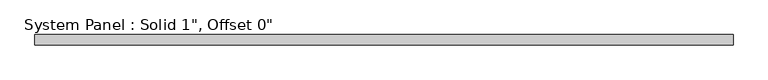
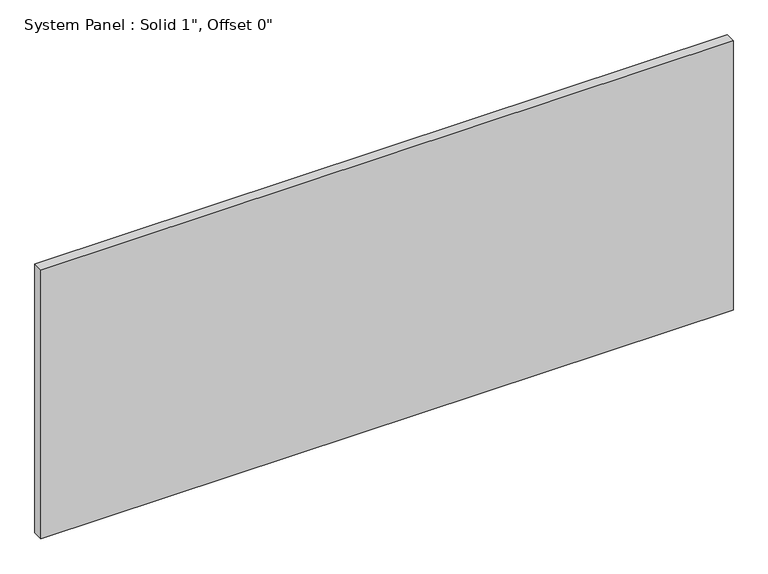
"""IFC4 building model written with IfcOpenShell, lengths in millimetres: plate geometry."""

from ifc_helpers import new_model, si_unit, origin, origin_with_axes, place, context, project, spatial, polyline, outline, extrude, source, transform, mapped, element, save


def plate_929f0df0(model_context):
    return source(origin(), model_context, "Body", "SweptSolid", [
        extrude(outline(polyline([(862.0125, -12.7), (-862.0125, -12.7), (-862.0125, 12.7), (862.0125, 12.7), (862.0125, -12.7)])), origin_with_axes(), (0.0, 0.0, 1.0), 708.9353554),
    ])


if __name__ == "__main__":
    model = new_model("IFC4")
    model_context = context("Model", 3, world=origin())
    ifc_project = project(units=[si_unit("LENGTHUNIT", "METRE", prefix="MILLI")], contexts=[model_context])
    site = spatial("IfcSite", under=ifc_project)
    building = spatial("IfcBuilding", under=site)
    placement = place(None, origin())
    plate_shape = plate_929f0df0(model_context)
    element("IfcPlate", 1, ObjectType="System Panel : Solid 1\", Offset 0\"", at=placement, inside=building, context=model_context, shape_type="MappedRepresentation", body=[
        mapped(plate_shape, transform((0.0, 0.0, 0.0), x_axis=(1.0, 0.0, 0.0), y_axis=(0.0, 1.0, 0.0), z_axis=(0.0, 0.0, 1.0))),
    ])
    save(model, "model.ifc")
